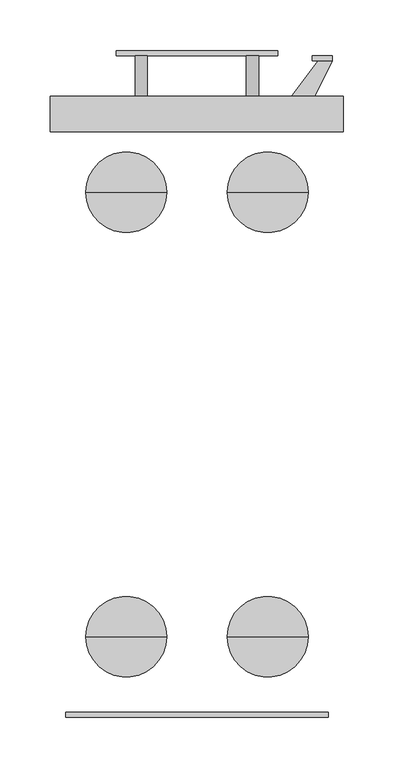
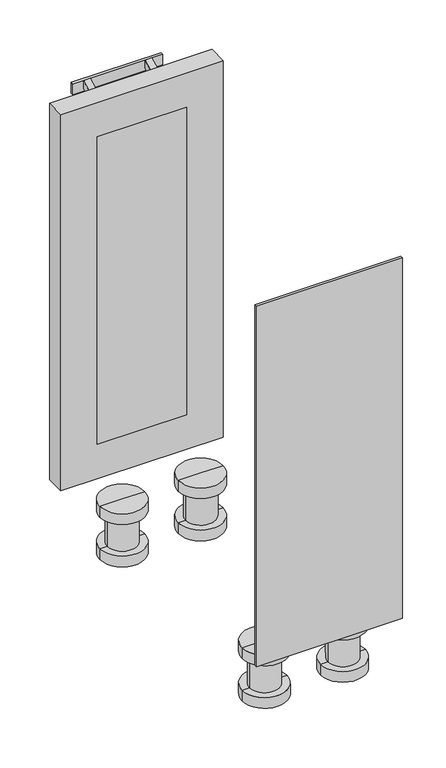
"""IFC4 building model written with IfcOpenShell, lengths in millimetres: furniture geometry."""

from ifc_helpers import new_model, si_unit, frame, origin, place, context, project, spatial, polyline, circle_curve, outline, extrude, faceted_brep, source, transform, mapped, element, save
from ifc_brep_helpers import plane_surface, cylinder_surface, advanced_brep


def furniture_6352509b(model_context):
    return source(origin(), model_context, "Body", "SolidModel", [
        extrude(outline(polyline([(240.0, 610.0), (270.0, 650.2555661), (284.1369396, 650.2555661), (264.1369396, 610.0), (240.0, 610.0)])), frame((0.0, 0.0, 299.0), z_axis=(0.0, 0.0, 1.0), x_axis=(1.0, 0.0, 0.0)), (0.0, 0.0, 1.0), 12.0),
        extrude(outline(polyline([(240.0, 610.0), (270.0, 650.2555661), (284.1369396, 650.2555661), (264.1369396, 610.0), (240.0, 610.0)])), frame((0.0, 0.0, 409.0), z_axis=(0.0, 0.0, 1.0), x_axis=(1.0, 0.0, 0.0)), (0.0, 0.0, 1.0), 12.0),
        extrude(outline(polyline([(284.1369396, 655.2555661), (284.1369396, 650.2555661), (264.1369396, 650.2555661), (264.1369396, 655.2555661), (284.1369396, 655.2555661)])), frame((0.0, 0.0, 280.0), z_axis=(0.0, 0.0, 1.0), x_axis=(1.0, 0.0, 0.0)), (0.0, 0.0, 1.0), 160.0),
        advanced_brep(
        [(120.0, 520.0, 0.0), (40.0, 520.0, 0.0), (80.0, 520.0, 0.0), (120.0, 520.0, -20.0), (40.0, 520.0, -20.0), (106.6666667, 520.0, -20.0), (53.3333333, 520.0, -20.0), (106.6666667, 520.0, -80.0), (53.3333333, 520.0, -80.0), (120.0, 520.0, -80.0), (40.0, 520.0, -80.0), (120.0, 520.0, -100.0), (40.0, 520.0, -100.0), (80.0, 520.0, -100.0)],
        [
            (0, 1, circle_curve(frame((80.0, 520.0, 0.0), z_axis=(0.0, 0.0, 1.0), x_axis=(-1.0, 0.0, 0.0)), 40.0)),
            (1, 2),
            (2, 0),
            (1, 0, circle_curve(frame((80.0, 520.0, 0.0), z_axis=(0.0, 0.0, 1.0), x_axis=(-1.0, 0.0, 0.0)), 40.0)),
            (3, 4, circle_curve(frame((80.0, 520.0, -20.0), z_axis=(0.0, 0.0, 1.0), x_axis=(-1.0, 0.0, 0.0)), 40.0)),
            (4, 1),
            (0, 3),
            (4, 3, circle_curve(frame((80.0, 520.0, -20.0), z_axis=(0.0, 0.0, 1.0), x_axis=(-1.0, 0.0, 0.0)), 40.0)),
            (5, 6, circle_curve(frame((80.0, 520.0, -20.0), z_axis=(0.0, 0.0, 1.0), x_axis=(-1.0, 0.0, 0.0)), 26.6666667)),
            (6, 4),
            (3, 5),
            (6, 5, circle_curve(frame((80.0, 520.0, -20.0), z_axis=(0.0, 0.0, 1.0), x_axis=(-1.0, 0.0, 0.0)), 26.6666667)),
            (7, 8, circle_curve(frame((80.0, 520.0, -80.0), z_axis=(0.0, 0.0, 1.0), x_axis=(-1.0, 0.0, 0.0)), 26.6666667)),
            (8, 6),
            (5, 7),
            (8, 7, circle_curve(frame((80.0, 520.0, -80.0), z_axis=(0.0, 0.0, 1.0), x_axis=(-1.0, 0.0, 0.0)), 26.6666667)),
            (9, 10, circle_curve(frame((80.0, 520.0, -80.0), z_axis=(0.0, 0.0, 1.0), x_axis=(-1.0, 0.0, 0.0)), 40.0)),
            (10, 8),
            (7, 9),
            (10, 9, circle_curve(frame((80.0, 520.0, -80.0), z_axis=(0.0, 0.0, 1.0), x_axis=(-1.0, 0.0, 0.0)), 40.0)),
            (11, 12, circle_curve(frame((80.0, 520.0, -100.0), z_axis=(0.0, 0.0, 1.0), x_axis=(-1.0, 0.0, 0.0)), 40.0)),
            (12, 10),
            (9, 11),
            (12, 11, circle_curve(frame((80.0, 520.0, -100.0), z_axis=(0.0, 0.0, 1.0), x_axis=(-1.0, 0.0, 0.0)), 40.0)),
            (13, 12),
            (11, 13),
        ],
        [
            plane_surface(frame((80.0, 520.0, 0.0), z_axis=(0.0, 0.0, 1.0), x_axis=(-1.0, 0.0, 0.0))),
            cylinder_surface(frame((80.0, 520.0, -135.0), z_axis=(0.0, 0.0, -1.0), x_axis=(-1.0, 0.0, 0.0)), 40.0),
            plane_surface(frame((80.0, 520.0, -20.0), z_axis=(0.0, 0.0, -1.0), x_axis=(-1.0, 0.0, 0.0))),
            cylinder_surface(frame((80.0, 520.0, -135.0), z_axis=(0.0, 0.0, -1.0), x_axis=(-1.0, 0.0, 0.0)), 26.6666667),
            plane_surface(frame((80.0, 520.0, -80.0), z_axis=(0.0, 0.0, 1.0), x_axis=(-1.0, 0.0, 0.0))),
            plane_surface(frame((80.0, 520.0, -100.0), z_axis=(0.0, 0.0, -1.0), x_axis=(-1.0, 0.0, 0.0))),
        ],
        [
            (0, [[1, 2, 3]]),
            (0, [[4, -3, -2]]),
            (1, [[5, 6, -1, 7]]),
            (1, [[8, -7, -4, -6]]),
            (2, [[9, 10, -5, 11]]),
            (2, [[12, -11, -8, -10]]),
            (3, [[13, 14, -9, 15]]),
            (3, [[16, -15, -12, -14]]),
            (4, [[17, 18, -13, 19]]),
            (4, [[20, -19, -16, -18]]),
            (1, [[21, 22, -17, 23]]),
            (1, [[24, -23, -20, -22]]),
            (5, [[25, -21, 26]]),
            (5, [[-26, -24, -25]]),
        ],
    ),
        advanced_brep(
        [(260.0, 520.0, 0.0), (180.0, 520.0, 0.0), (220.0, 520.0, 0.0), (260.0, 520.0, -20.0), (180.0, 520.0, -20.0), (246.6666667, 520.0, -20.0), (193.3333333, 520.0, -20.0), (246.6666667, 520.0, -80.0), (193.3333333, 520.0, -80.0), (260.0, 520.0, -80.0), (180.0, 520.0, -80.0), (260.0, 520.0, -100.0), (180.0, 520.0, -100.0), (220.0, 520.0, -100.0)],
        [
            (0, 1, circle_curve(frame((220.0, 520.0, 0.0), z_axis=(0.0, 0.0, 1.0), x_axis=(-1.0, 0.0, 0.0)), 40.0)),
            (1, 2),
            (2, 0),
            (1, 0, circle_curve(frame((220.0, 520.0, 0.0), z_axis=(0.0, 0.0, 1.0), x_axis=(-1.0, 0.0, 0.0)), 40.0)),
            (3, 4, circle_curve(frame((220.0, 520.0, -20.0), z_axis=(0.0, 0.0, 1.0), x_axis=(-1.0, 0.0, 0.0)), 40.0)),
            (4, 1),
            (0, 3),
            (4, 3, circle_curve(frame((220.0, 520.0, -20.0), z_axis=(0.0, 0.0, 1.0), x_axis=(-1.0, 0.0, 0.0)), 40.0)),
            (5, 6, circle_curve(frame((220.0, 520.0, -20.0), z_axis=(0.0, 0.0, 1.0), x_axis=(-1.0, 0.0, 0.0)), 26.6666667)),
            (6, 4),
            (3, 5),
            (6, 5, circle_curve(frame((220.0, 520.0, -20.0), z_axis=(0.0, 0.0, 1.0), x_axis=(-1.0, 0.0, 0.0)), 26.6666667)),
            (7, 8, circle_curve(frame((220.0, 520.0, -80.0), z_axis=(0.0, 0.0, 1.0), x_axis=(-1.0, 0.0, 0.0)), 26.6666667)),
            (8, 6),
            (5, 7),
            (8, 7, circle_curve(frame((220.0, 520.0, -80.0), z_axis=(0.0, 0.0, 1.0), x_axis=(-1.0, 0.0, 0.0)), 26.6666667)),
            (9, 10, circle_curve(frame((220.0, 520.0, -80.0), z_axis=(0.0, 0.0, 1.0), x_axis=(-1.0, 0.0, 0.0)), 40.0)),
            (10, 8),
            (7, 9),
            (10, 9, circle_curve(frame((220.0, 520.0, -80.0), z_axis=(0.0, 0.0, 1.0), x_axis=(-1.0, 0.0, 0.0)), 40.0)),
            (11, 12, circle_curve(frame((220.0, 520.0, -100.0), z_axis=(0.0, 0.0, 1.0), x_axis=(-1.0, 0.0, 0.0)), 40.0)),
            (12, 10),
            (9, 11),
            (12, 11, circle_curve(frame((220.0, 520.0, -100.0), z_axis=(0.0, 0.0, 1.0), x_axis=(-1.0, 0.0, 0.0)), 40.0)),
            (13, 12),
            (11, 13),
        ],
        [
            plane_surface(frame((220.0, 520.0, 0.0), z_axis=(0.0, 0.0, 1.0), x_axis=(-1.0, 0.0, 0.0))),
            cylinder_surface(frame((220.0, 520.0, -135.0), z_axis=(0.0, 0.0, -1.0), x_axis=(-1.0, 0.0, 0.0)), 40.0),
            plane_surface(frame((220.0, 520.0, -20.0), z_axis=(0.0, 0.0, -1.0), x_axis=(-1.0, 0.0, 0.0))),
            cylinder_surface(frame((220.0, 520.0, -135.0), z_axis=(0.0, 0.0, -1.0), x_axis=(-1.0, 0.0, 0.0)), 26.6666667),
            plane_surface(frame((220.0, 520.0, -80.0), z_axis=(0.0, 0.0, 1.0), x_axis=(-1.0, 0.0, 0.0))),
            plane_surface(frame((220.0, 520.0, -100.0), z_axis=(0.0, 0.0, -1.0), x_axis=(-1.0, 0.0, 0.0))),
        ],
        [
            (0, [[1, 2, 3]]),
            (0, [[4, -3, -2]]),
            (1, [[5, 6, -1, 7]]),
            (1, [[8, -7, -4, -6]]),
            (2, [[9, 10, -5, 11]]),
            (2, [[12, -11, -8, -10]]),
            (3, [[13, 14, -9, 15]]),
            (3, [[16, -15, -12, -14]]),
            (4, [[17, 18, -13, 19]]),
            (4, [[20, -19, -16, -18]]),
            (1, [[21, 22, -17, 23]]),
            (1, [[24, -23, -20, -22]]),
            (5, [[25, -21, 26]]),
            (5, [[-26, -24, -25]]),
        ],
    ),
        advanced_brep(
        [(120.0, 80.0, 0.0), (40.0, 80.0, 0.0), (80.0, 80.0, 0.0), (120.0, 80.0, -20.0), (40.0, 80.0, -20.0), (106.6666667, 80.0, -20.0), (53.3333333, 80.0, -20.0), (106.6666667, 80.0, -80.0), (53.3333333, 80.0, -80.0), (120.0, 80.0, -80.0), (40.0, 80.0, -80.0), (120.0, 80.0, -100.0), (40.0, 80.0, -100.0), (80.0, 80.0, -100.0)],
        [
            (0, 1, circle_curve(frame((80.0, 80.0, 0.0), z_axis=(0.0, 0.0, 1.0), x_axis=(-1.0, 0.0, 0.0)), 40.0)),
            (1, 2),
            (2, 0),
            (1, 0, circle_curve(frame((80.0, 80.0, 0.0), z_axis=(0.0, 0.0, 1.0), x_axis=(-1.0, 0.0, 0.0)), 40.0)),
            (3, 4, circle_curve(frame((80.0, 80.0, -20.0), z_axis=(0.0, 0.0, 1.0), x_axis=(-1.0, 0.0, 0.0)), 40.0)),
            (4, 1),
            (0, 3),
            (4, 3, circle_curve(frame((80.0, 80.0, -20.0), z_axis=(0.0, 0.0, 1.0), x_axis=(-1.0, 0.0, 0.0)), 40.0)),
            (5, 6, circle_curve(frame((80.0, 80.0, -20.0), z_axis=(0.0, 0.0, 1.0), x_axis=(-1.0, 0.0, 0.0)), 26.6666667)),
            (6, 4),
            (3, 5),
            (6, 5, circle_curve(frame((80.0, 80.0, -20.0), z_axis=(0.0, 0.0, 1.0), x_axis=(-1.0, 0.0, 0.0)), 26.6666667)),
            (7, 8, circle_curve(frame((80.0, 80.0, -80.0), z_axis=(0.0, 0.0, 1.0), x_axis=(-1.0, 0.0, 0.0)), 26.6666667)),
            (8, 6),
            (5, 7),
            (8, 7, circle_curve(frame((80.0, 80.0, -80.0), z_axis=(0.0, 0.0, 1.0), x_axis=(-1.0, 0.0, 0.0)), 26.6666667)),
            (9, 10, circle_curve(frame((80.0, 80.0, -80.0), z_axis=(0.0, 0.0, 1.0), x_axis=(-1.0, 0.0, 0.0)), 40.0)),
            (10, 8),
            (7, 9),
            (10, 9, circle_curve(frame((80.0, 80.0, -80.0), z_axis=(0.0, 0.0, 1.0), x_axis=(-1.0, 0.0, 0.0)), 40.0)),
            (11, 12, circle_curve(frame((80.0, 80.0, -100.0), z_axis=(0.0, 0.0, 1.0), x_axis=(-1.0, 0.0, 0.0)), 40.0)),
            (12, 10),
            (9, 11),
            (12, 11, circle_curve(frame((80.0, 80.0, -100.0), z_axis=(0.0, 0.0, 1.0), x_axis=(-1.0, 0.0, 0.0)), 40.0)),
            (13, 12),
            (11, 13),
        ],
        [
            plane_surface(frame((80.0, 80.0, 0.0), z_axis=(0.0, 0.0, 1.0), x_axis=(-1.0, 0.0, 0.0))),
            cylinder_surface(frame((80.0, 80.0, -135.0), z_axis=(0.0, 0.0, -1.0), x_axis=(-1.0, 0.0, 0.0)), 40.0),
            plane_surface(frame((80.0, 80.0, -20.0), z_axis=(0.0, 0.0, -1.0), x_axis=(-1.0, 0.0, 0.0))),
            cylinder_surface(frame((80.0, 80.0, -135.0), z_axis=(0.0, 0.0, -1.0), x_axis=(-1.0, 0.0, 0.0)), 26.6666667),
            plane_surface(frame((80.0, 80.0, -80.0), z_axis=(0.0, 0.0, 1.0), x_axis=(-1.0, 0.0, 0.0))),
            plane_surface(frame((80.0, 80.0, -100.0), z_axis=(0.0, 0.0, -1.0), x_axis=(-1.0, 0.0, 0.0))),
        ],
        [
            (0, [[1, 2, 3]]),
            (0, [[4, -3, -2]]),
            (1, [[5, 6, -1, 7]]),
            (1, [[8, -7, -4, -6]]),
            (2, [[9, 10, -5, 11]]),
            (2, [[12, -11, -8, -10]]),
            (3, [[13, 14, -9, 15]]),
            (3, [[16, -15, -12, -14]]),
            (4, [[17, 18, -13, 19]]),
            (4, [[20, -19, -16, -18]]),
            (1, [[21, 22, -17, 23]]),
            (1, [[24, -23, -20, -22]]),
            (5, [[25, -21, 26]]),
            (5, [[-26, -24, -25]]),
        ],
    ),
        advanced_brep(
        [(260.0, 80.0, 0.0), (180.0, 80.0, 0.0), (220.0, 80.0, 0.0), (260.0, 80.0, -20.0), (180.0, 80.0, -20.0), (246.6666667, 80.0, -20.0), (193.3333333, 80.0, -20.0), (246.6666667, 80.0, -80.0), (193.3333333, 80.0, -80.0), (260.0, 80.0, -80.0), (180.0, 80.0, -80.0), (260.0, 80.0, -100.0), (180.0, 80.0, -100.0), (220.0, 80.0, -100.0)],
        [
            (0, 1, circle_curve(frame((220.0, 80.0, 0.0), z_axis=(0.0, 0.0, 1.0), x_axis=(-1.0, 0.0, 0.0)), 40.0)),
            (1, 2),
            (2, 0),
            (1, 0, circle_curve(frame((220.0, 80.0, 0.0), z_axis=(0.0, 0.0, 1.0), x_axis=(-1.0, 0.0, 0.0)), 40.0)),
            (3, 4, circle_curve(frame((220.0, 80.0, -20.0), z_axis=(0.0, 0.0, 1.0), x_axis=(-1.0, 0.0, 0.0)), 40.0)),
            (4, 1),
            (0, 3),
            (4, 3, circle_curve(frame((220.0, 80.0, -20.0), z_axis=(0.0, 0.0, 1.0), x_axis=(-1.0, 0.0, 0.0)), 40.0)),
            (5, 6, circle_curve(frame((220.0, 80.0, -20.0), z_axis=(0.0, 0.0, 1.0), x_axis=(-1.0, 0.0, 0.0)), 26.6666667)),
            (6, 4),
            (3, 5),
            (6, 5, circle_curve(frame((220.0, 80.0, -20.0), z_axis=(0.0, 0.0, 1.0), x_axis=(-1.0, 0.0, 0.0)), 26.6666667)),
            (7, 8, circle_curve(frame((220.0, 80.0, -80.0), z_axis=(0.0, 0.0, 1.0), x_axis=(-1.0, 0.0, 0.0)), 26.6666667)),
            (8, 6),
            (5, 7),
            (8, 7, circle_curve(frame((220.0, 80.0, -80.0), z_axis=(0.0, 0.0, 1.0), x_axis=(-1.0, 0.0, 0.0)), 26.6666667)),
            (9, 10, circle_curve(frame((220.0, 80.0, -80.0), z_axis=(0.0, 0.0, 1.0), x_axis=(-1.0, 0.0, 0.0)), 40.0)),
            (10, 8),
            (7, 9),
            (10, 9, circle_curve(frame((220.0, 80.0, -80.0), z_axis=(0.0, 0.0, 1.0), x_axis=(-1.0, 0.0, 0.0)), 40.0)),
            (11, 12, circle_curve(frame((220.0, 80.0, -100.0), z_axis=(0.0, 0.0, 1.0), x_axis=(-1.0, 0.0, 0.0)), 40.0)),
            (12, 10),
            (9, 11),
            (12, 11, circle_curve(frame((220.0, 80.0, -100.0), z_axis=(0.0, 0.0, 1.0), x_axis=(-1.0, 0.0, 0.0)), 40.0)),
            (13, 12),
            (11, 13),
        ],
        [
            plane_surface(frame((220.0, 80.0, 0.0), z_axis=(0.0, 0.0, 1.0), x_axis=(-1.0, 0.0, 0.0))),
            cylinder_surface(frame((220.0, 80.0, -135.0), z_axis=(0.0, 0.0, -1.0), x_axis=(-1.0, 0.0, 0.0)), 40.0),
            plane_surface(frame((220.0, 80.0, -20.0), z_axis=(0.0, 0.0, -1.0), x_axis=(-1.0, 0.0, 0.0))),
            cylinder_surface(frame((220.0, 80.0, -135.0), z_axis=(0.0, 0.0, -1.0), x_axis=(-1.0, 0.0, 0.0)), 26.6666667),
            plane_surface(frame((220.0, 80.0, -80.0), z_axis=(0.0, 0.0, 1.0), x_axis=(-1.0, 0.0, 0.0))),
            plane_surface(frame((220.0, 80.0, -100.0), z_axis=(0.0, 0.0, -1.0), x_axis=(-1.0, 0.0, 0.0))),
        ],
        [
            (0, [[1, 2, 3]]),
            (0, [[4, -3, -2]]),
            (1, [[5, 6, -1, 7]]),
            (1, [[8, -7, -4, -6]]),
            (2, [[9, 10, -5, 11]]),
            (2, [[12, -11, -8, -10]]),
            (3, [[13, 14, -9, 15]]),
            (3, [[16, -15, -12, -14]]),
            (4, [[17, 18, -13, 19]]),
            (4, [[20, -19, -16, -18]]),
            (1, [[21, 22, -17, 23]]),
            (1, [[24, -23, -20, -22]]),
            (5, [[25, -21, 26]]),
            (5, [[-26, -24, -25]]),
        ],
    ),
        extrude(outline(polyline([(615.0, 660.0), (615.0, 684.1369396), (655.2555661, 704.1369396), (655.2555661, 690.0), (615.0, 660.0)])), frame((89.0, 0.0, 0.0), z_axis=(1.0, 0.0, 0.0), x_axis=(0.0, 1.0, 0.0)), (0.0, 0.0, 1.0), 12.0),
        extrude(outline(polyline([(615.0, 660.0), (615.0, 684.1369396), (655.2555661, 704.1369396), (655.2555661, 690.0), (615.0, 660.0)])), frame((199.0, 0.0, 0.0), z_axis=(1.0, 0.0, 0.0), x_axis=(0.0, 1.0, 0.0)), (0.0, 0.0, 1.0), 12.0),
        extrude(outline(polyline([(70.0, 660.2555661), (230.0, 660.2555661), (230.0, 655.2555661), (70.0, 655.2555661), (70.0, 660.2555661)])), frame((0.0, 0.0, 684.1369396), z_axis=(0.0, 0.0, 1.0), x_axis=(1.0, 0.0, 0.0)), (0.0, 0.0, 1.0), 20.0),
        extrude(outline(polyline([(280.0, 0.0), (20.0, 0.0), (20.0, 5.0), (280.0, 5.0), (280.0, 0.0)])), frame((0.0, 0.0, 20.0), z_axis=(0.0, 0.0, 1.0), x_axis=(1.0, 0.0, 0.0)), (0.0, 0.0, 1.0), 680.0),
        extrude(outline(polyline([(230.0, 580.0), (70.0, 580.0), (70.0, 600.0), (230.0, 600.0), (230.0, 580.0)])), frame((0.0, 0.0, 70.0), z_axis=(0.0, 0.0, 1.0), x_axis=(1.0, 0.0, 0.0)), (0.0, 0.0, 1.0), 580.0),
        faceted_brep([(240.0, 605.0, 660.0), (240.0, 610.0, 660.0), (240.0, 610.0, 60.0), (240.0, 605.0, 60.0), (267.5, 610.0, 687.5), (267.5, 615.0, 687.5), (267.5, 615.0, 32.5), (267.5, 610.0, 32.5), (295.0, 615.0, 715.0), (295.0, 580.0, 715.0), (295.0, 580.0, 5.0), (295.0, 615.0, 5.0), (230.0, 580.0, 650.0), (230.0, 605.0, 650.0), (230.0, 605.0, 70.0), (230.0, 580.0, 70.0), (60.0, 610.0, 60.0), (60.0, 605.0, 60.0), (32.5, 615.0, 32.5), (32.5, 610.0, 32.5), (5.0, 580.0, 5.0), (5.0, 615.0, 5.0), (70.0, 605.0, 70.0), (70.0, 580.0, 70.0), (60.0, 610.0, 660.0), (60.0, 605.0, 660.0), (32.5, 615.0, 687.5), (32.5, 610.0, 687.5), (5.0, 580.0, 715.0), (5.0, 615.0, 715.0), (70.0, 605.0, 650.0), (70.0, 580.0, 650.0)], [[[0, 1, 2, 3]], [[4, 5, 6, 7]], [[8, 9, 10, 11]], [[12, 13, 14, 15]], [[3, 2, 16, 17]], [[7, 6, 18, 19]], [[11, 10, 20, 21]], [[15, 14, 22, 23]], [[17, 16, 24, 25]], [[19, 18, 26, 27]], [[21, 20, 28, 29]], [[23, 22, 30, 31]], [[25, 24, 1, 0]], [[7, 19, 27, 4], [1, 24, 16, 2]], [[27, 26, 5, 4]], [[11, 21, 29, 8], [5, 26, 18, 6]], [[29, 28, 9, 8]], [[9, 28, 20, 10], [15, 23, 31, 12]], [[31, 30, 13, 12]], [[3, 17, 25, 0], [13, 30, 22, 14]]]),
    ])


if __name__ == "__main__":
    model = new_model("IFC4")
    model_context = context("Model", 3, world=origin())
    ifc_project = project(units=[si_unit("LENGTHUNIT", "METRE", prefix="MILLI")], contexts=[model_context])
    site = spatial("IfcSite", under=ifc_project)
    building = spatial("IfcBuilding", under=site)
    placement = place(None, origin())
    furniture_shape = furniture_6352509b(model_context)
    element("IfcFurniture", 1, at=placement, inside=building, context=model_context, shape_type="MappedRepresentation", body=[
        mapped(furniture_shape, transform((0.0, 0.0, 0.0), x_axis=(1.0, 0.0, 0.0), y_axis=(0.0, 1.0, 0.0), z_axis=(0.0, 0.0, 1.0))),
    ])
    save(model, "model.ifc")
